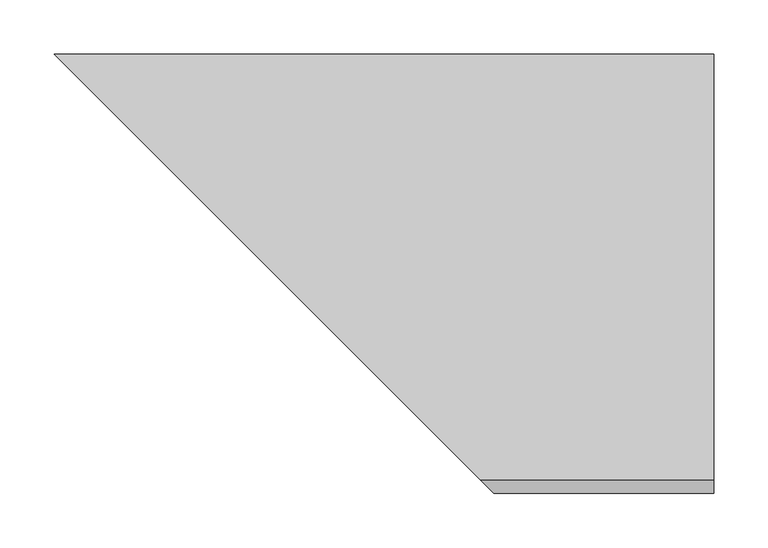
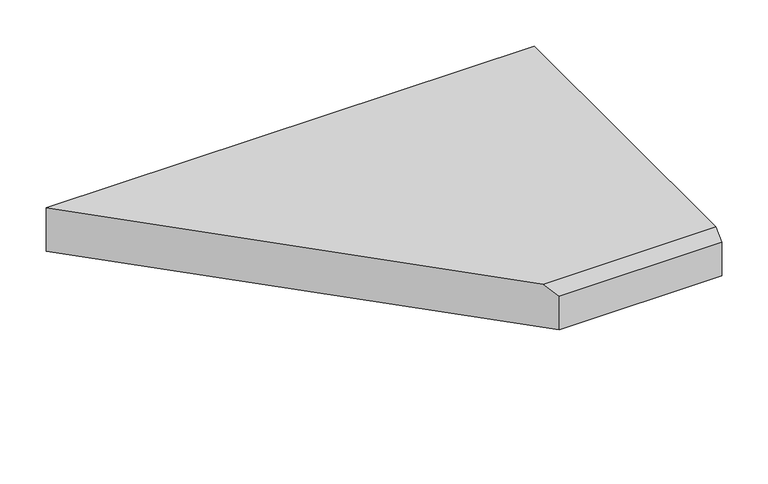
"""IFC4 building model written with IfcOpenShell, lengths in millimetres: proxy geometry."""

from ifc_helpers import new_model, si_unit, origin, place, context, project, spatial, faceted_brep, source, transform, mapped, element, save


def generic_models_a0904221(model_context):
    return source(origin(), model_context, "Body", "Brep", [
        faceted_brep([(609.6, -406.4, 0.0), (609.6, 0.0, 0.0), (609.6, 0.0, 57.15), (609.6, -393.7, 57.15), (609.6, -406.4, 44.45), (0.0, 0.0, 57.15), (393.7, -393.7, 57.15), (0.0, 0.0, 0.0), (406.4, -406.4, 0.0), (406.4, -406.4, 44.45)], [[[0, 1, 2, 3, 4]], [[3, 2, 5, 6]], [[2, 1, 7, 5]], [[1, 0, 8, 7]], [[0, 4, 9, 8]], [[4, 3, 6, 9]], [[6, 5, 7, 8, 9]]]),
    ])


if __name__ == "__main__":
    model = new_model("IFC4")
    model_context = context("Model", 3, world=origin())
    ifc_project = project(units=[si_unit("LENGTHUNIT", "METRE", prefix="MILLI")], contexts=[model_context])
    site = spatial("IfcSite", under=ifc_project)
    building = spatial("IfcBuilding", under=site)
    placement = place(None, origin())
    generic_models_shape = generic_models_a0904221(model_context)
    element("IfcBuildingElementProxy", 1, Name="Generic Models", at=placement, inside=building, context=model_context, shape_type="MappedRepresentation", body=[
        mapped(generic_models_shape, transform((0.0, 0.0, 0.0), x_axis=(1.0, 0.0, 0.0), y_axis=(0.0, 1.0, 0.0), z_axis=(0.0, 0.0, 1.0))),
    ])
    save(model, "model.ifc")
